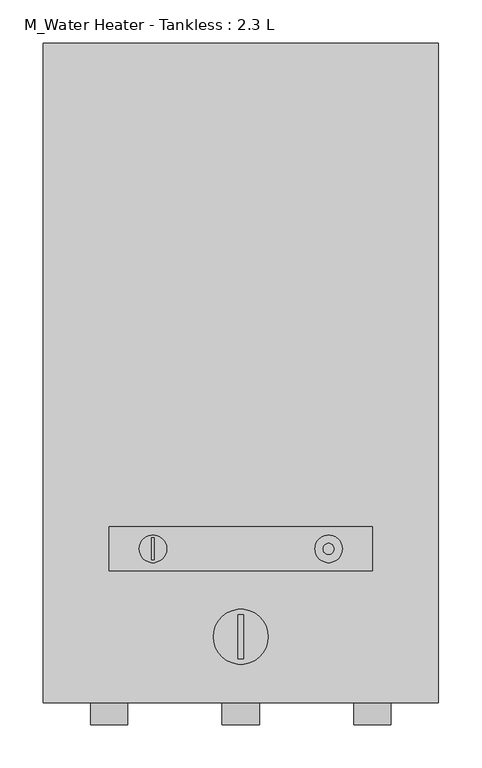
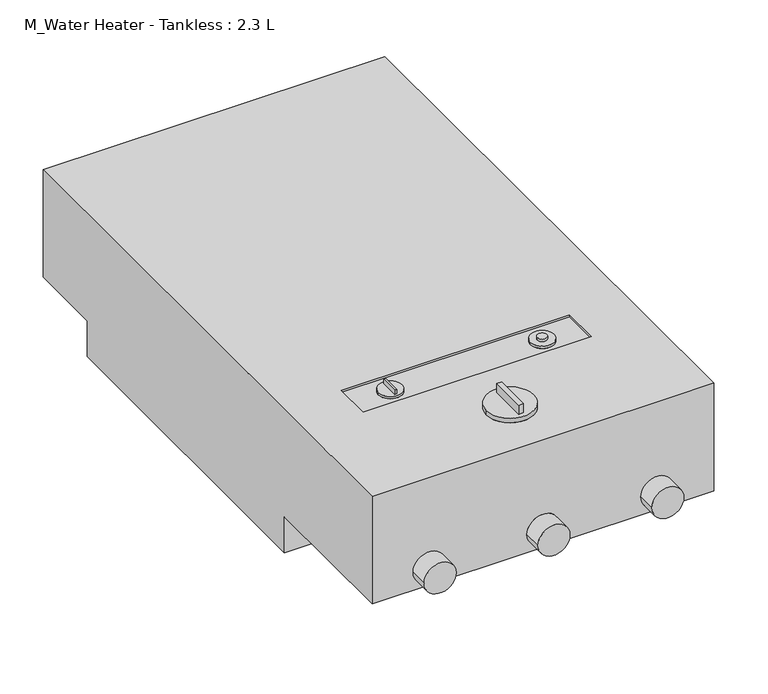
"""IFC4 building model written with IfcOpenShell, lengths in millimetres: proxy geometry, M_Water Heater - Tankless : 2.3 L."""

from ifc_helpers import new_model, si_unit, point, frame, frame_2d, origin, place, context, project, spatial, circle_curve, trimmed, segment, composite_curve, outline, extrude, source, transform, mapped, element, save
from ifc_brep_helpers import plane_surface, cylinder_surface, advanced_brep


def m_water_heater_tankless_2_3_l_a5d88984(model_context):
    return source(origin(), model_context, "Body", "SolidModel", [
        advanced_brep(
        [(228.5, 762.0, 50.8), (228.5, 762.0, 203.0), (228.5, 0.0, 203.0), (228.5, 0.0, 50.8), (228.5, 203.2, 50.8), (228.5, 203.2, 0.0), (228.5, 660.4, 0.0), (228.5, 660.4, 50.8), (-228.5, 762.0, 50.8), (-228.5, 660.4, 50.8), (-228.5, 660.4, 0.0), (-228.5, 203.2, 0.0), (-228.5, 203.2, 50.8), (-228.5, 0.0, 50.8), (-228.5, 0.0, 203.0), (-228.5, 762.0, 203.0), (-152.4, 203.2, 203.0), (152.4, 203.2, 203.0), (152.4, 152.4, 203.0), (-152.4, 152.4, 203.0), (31.75, 76.2, 203.0), (-31.75, 76.2, 203.0), (-130.86875, 0.0, 76.2), (-173.73125, 0.0, 76.2), (21.43125, 0.0, 76.2), (-21.43125, 0.0, 76.2), (173.73125, 0.0, 76.2), (130.86875, 0.0, 76.2), (152.4, 203.2, 199.825), (-152.4, 203.2, 199.825), (-152.4, 152.4, 199.825), (152.4, 152.4, 199.825), (-85.725, 177.8, 199.825), (-117.475, 177.8, 199.825), (117.475, 177.8, 199.825), (85.725, 177.8, 199.825), (-173.73125, -25.4, 76.2), (-130.86875, -25.4, 76.2), (-21.43125, -25.4, 76.2), (21.43125, -25.4, 76.2), (130.86875, -25.4, 76.2), (173.73125, -25.4, 76.2), (-117.475, 177.8, 203.0), (-85.725, 177.8, 203.0), (-103.1875, 190.5, 203.0), (-100.0125, 190.5, 203.0), (-100.0125, 165.1, 203.0), (-103.1875, 165.1, 203.0), (85.725, 177.8, 203.0), (117.475, 177.8, 203.0), (107.95, 177.8, 203.0), (95.25, 177.8, 203.0), (95.25, 177.8, 206.175), (107.95, 177.8, 206.175), (-100.0125, 190.5, 209.35), (-103.1875, 190.5, 209.35), (-103.1875, 165.1, 209.35), (-100.0125, 165.1, 209.35), (-31.75, 76.2, 209.35), (31.75, 76.2, 209.35), (-3.175, 101.6, 209.35), (3.175, 101.6, 209.35), (3.175, 50.8, 209.35), (-3.175, 50.8, 209.35), (3.175, 101.6, 222.05), (-3.175, 101.6, 222.05), (-3.175, 50.8, 222.05), (3.175, 50.8, 222.05)],
        [
            (0, 1),
            (1, 2),
            (2, 3),
            (3, 4),
            (4, 5),
            (5, 6),
            (6, 7),
            (7, 0),
            (8, 9),
            (9, 10),
            (10, 11),
            (11, 12),
            (12, 13),
            (13, 14),
            (14, 15),
            (15, 8),
            (0, 8),
            (15, 1),
            (14, 2),
            (16, 17),
            (17, 18),
            (18, 19),
            (19, 16),
            (20, 21, circle_curve(frame((0.0, 76.2, 203.0), z_axis=(0.0, 0.0, -1.0), x_axis=(1.0, 0.0, 0.0)), 31.75)),
            (21, 20, circle_curve(frame((0.0, 76.2, 203.0), z_axis=(0.0, 0.0, -1.0), x_axis=(1.0, 0.0, 0.0)), 31.75)),
            (13, 3),
            (22, 23, circle_curve(frame((-152.3, 0.0, 76.2), z_axis=(0.0, 1.0, 0.0), x_axis=(1.0, 0.0, 0.0)), 21.43125)),
            (23, 22, circle_curve(frame((-152.3, 0.0, 76.2), z_axis=(0.0, 1.0, 0.0), x_axis=(1.0, 0.0, 0.0)), 21.43125)),
            (24, 25, circle_curve(frame((0.0, 0.0, 76.2), z_axis=(0.0, 1.0, 0.0), x_axis=(1.0, 0.0, 0.0)), 21.43125)),
            (25, 24, circle_curve(frame((0.0, 0.0, 76.2), z_axis=(0.0, 1.0, 0.0), x_axis=(1.0, 0.0, 0.0)), 21.43125)),
            (26, 27, circle_curve(frame((152.3, 0.0, 76.2), z_axis=(0.0, 1.0, 0.0), x_axis=(1.0, 0.0, 0.0)), 21.43125)),
            (27, 26, circle_curve(frame((152.3, 0.0, 76.2), z_axis=(0.0, 1.0, 0.0), x_axis=(1.0, 0.0, 0.0)), 21.43125)),
            (12, 4),
            (11, 5),
            (10, 6),
            (9, 7),
            (28, 29),
            (29, 30),
            (30, 31),
            (31, 28),
            (32, 33, circle_curve(frame((-101.6, 177.8, 199.825), z_axis=(0.0, 0.0, -1.0), x_axis=(1.0, 0.0, 0.0)), 15.875)),
            (33, 32, circle_curve(frame((-101.6, 177.8, 199.825), z_axis=(0.0, 0.0, -1.0), x_axis=(1.0, 0.0, 0.0)), 15.875)),
            (34, 35, circle_curve(frame((101.6, 177.8, 199.825), z_axis=(0.0, 0.0, -1.0), x_axis=(1.0, 0.0, 0.0)), 15.875)),
            (35, 34, circle_curve(frame((101.6, 177.8, 199.825), z_axis=(0.0, 0.0, -1.0), x_axis=(1.0, 0.0, 0.0)), 15.875)),
            (28, 17),
            (16, 29),
            (19, 30),
            (18, 31),
            (36, 37, circle_curve(frame((-152.3, -25.4, 76.2), z_axis=(0.0, -1.0, 0.0), x_axis=(1.0, 0.0, 0.0)), 21.43125)),
            (37, 36, circle_curve(frame((-152.3, -25.4, 76.2), z_axis=(0.0, -1.0, 0.0), x_axis=(1.0, 0.0, 0.0)), 21.43125)),
            (38, 39, circle_curve(frame((0.0, -25.4, 76.2), z_axis=(0.0, -1.0, 0.0), x_axis=(1.0, 0.0, 0.0)), 21.43125)),
            (39, 38, circle_curve(frame((0.0, -25.4, 76.2), z_axis=(0.0, -1.0, 0.0), x_axis=(1.0, 0.0, 0.0)), 21.43125)),
            (40, 41, circle_curve(frame((152.3, -25.4, 76.2), z_axis=(0.0, -1.0, 0.0), x_axis=(1.0, 0.0, 0.0)), 21.43125)),
            (41, 40, circle_curve(frame((152.3, -25.4, 76.2), z_axis=(0.0, -1.0, 0.0), x_axis=(1.0, 0.0, 0.0)), 21.43125)),
            (36, 23),
            (22, 37),
            (38, 25),
            (24, 39),
            (40, 27),
            (26, 41),
            (42, 43, circle_curve(frame((-101.6, 177.8, 203.0), z_axis=(0.0, 0.0, 1.0), x_axis=(1.0, 0.0, 0.0)), 15.875)),
            (43, 42, circle_curve(frame((-101.6, 177.8, 203.0), z_axis=(0.0, 0.0, 1.0), x_axis=(1.0, 0.0, 0.0)), 15.875)),
            (44, 45),
            (45, 46),
            (46, 47),
            (47, 44),
            (48, 49, circle_curve(frame((101.6, 177.8, 203.0), z_axis=(0.0, 0.0, 1.0), x_axis=(1.0, 0.0, 0.0)), 15.875)),
            (49, 48, circle_curve(frame((101.6, 177.8, 203.0), z_axis=(0.0, 0.0, 1.0), x_axis=(1.0, 0.0, 0.0)), 15.875)),
            (50, 51, circle_curve(frame((101.6, 177.8, 203.0), z_axis=(0.0, 0.0, -1.0), x_axis=(1.0, 0.0, 0.0)), 6.35)),
            (51, 50, circle_curve(frame((101.6, 177.8, 203.0), z_axis=(0.0, 0.0, -1.0), x_axis=(1.0, 0.0, 0.0)), 6.35)),
            (42, 33),
            (32, 43),
            (48, 35),
            (34, 49),
            (52, 53, circle_curve(frame((101.6, 177.8, 206.175), z_axis=(0.0, 0.0, 1.0), x_axis=(1.0, 0.0, 0.0)), 6.35)),
            (53, 52, circle_curve(frame((101.6, 177.8, 206.175), z_axis=(0.0, 0.0, 1.0), x_axis=(1.0, 0.0, 0.0)), 6.35)),
            (52, 51),
            (50, 53),
            (54, 55),
            (55, 56),
            (56, 57),
            (57, 54),
            (54, 45),
            (44, 55),
            (47, 56),
            (46, 57),
            (58, 59, circle_curve(frame((0.0, 76.2, 209.35), z_axis=(0.0, 0.0, 1.0), x_axis=(1.0, 0.0, 0.0)), 31.75)),
            (59, 58, circle_curve(frame((0.0, 76.2, 209.35), z_axis=(0.0, 0.0, 1.0), x_axis=(1.0, 0.0, 0.0)), 31.75)),
            (60, 61),
            (61, 62),
            (62, 63),
            (63, 60),
            (58, 21),
            (20, 59),
            (64, 65),
            (65, 66),
            (66, 67),
            (67, 64),
            (64, 61),
            (60, 65),
            (63, 66),
            (62, 67),
        ],
        [
            plane_surface(frame((228.5, 762.0, 203.0), z_axis=(1.0, 0.0, 0.0), x_axis=(0.0, 0.0, 1.0))),
            plane_surface(frame((-228.5, 762.0, 203.0), z_axis=(-1.0, 0.0, 0.0), x_axis=(0.0, 0.0, -1.0))),
            plane_surface(frame((228.5, 762.0, 50.8), z_axis=(0.0, 1.0, 0.0), x_axis=(-1.0, 0.0, 0.0))),
            plane_surface(frame((228.5, 762.0, 203.0), z_axis=(0.0, 0.0, 1.0), x_axis=(-1.0, 0.0, 0.0))),
            plane_surface(frame((228.5, 0.0, 203.0), z_axis=(0.0, -1.0, 0.0), x_axis=(-1.0, 0.0, 0.0))),
            plane_surface(frame((228.5, 0.0, 50.8), z_axis=(0.0, 0.0, -1.0), x_axis=(-1.0, 0.0, 0.0))),
            plane_surface(frame((228.5, 203.2, 50.8), z_axis=(0.0, -1.0, 0.0), x_axis=(-1.0, 0.0, 0.0))),
            plane_surface(frame((228.5, 203.2, 0.0), z_axis=(0.0, 0.0, -1.0), x_axis=(-1.0, 0.0, 0.0))),
            plane_surface(frame((228.5, 660.4, 0.0), z_axis=(0.0, 1.0, 0.0), x_axis=(-1.0, 0.0, 0.0))),
            plane_surface(frame((228.5, 660.4, 50.8), z_axis=(0.0, 0.0, -1.0), x_axis=(-1.0, 0.0, 0.0))),
            plane_surface(frame((-152.4, 203.2, 199.825), z_axis=(0.0, 0.0, 1.0), x_axis=(1.0, 0.0, 0.0))),
            plane_surface(frame((152.4, 203.2, 203.0), z_axis=(0.0, -1.0, 0.0), x_axis=(0.0, 0.0, -1.0))),
            plane_surface(frame((-152.4, 203.2, 203.0), z_axis=(1.0, 0.0, 0.0), x_axis=(0.0, 0.0, -1.0))),
            plane_surface(frame((-152.4, 152.4, 203.0), z_axis=(0.0, 1.0, 0.0), x_axis=(0.0, 0.0, -1.0))),
            plane_surface(frame((152.4, 152.4, 203.0), z_axis=(-1.0, 0.0, 0.0), x_axis=(0.0, 0.0, -1.0))),
            plane_surface(frame((-130.86875, -25.4, 76.2), z_axis=(0.0, -1.0, 0.0), x_axis=(0.0, 0.0, 1.0))),
            cylinder_surface(frame((-152.3, 0.0, 76.2), z_axis=(0.0, -1.0, 0.0), x_axis=(1.0, 0.0, 0.0)), 21.43125),
            cylinder_surface(frame((0.0, 0.0, 76.2), z_axis=(0.0, -1.0, 0.0), x_axis=(1.0, 0.0, 0.0)), 21.43125),
            cylinder_surface(frame((152.3, 0.0, 76.2), z_axis=(0.0, -1.0, 0.0), x_axis=(1.0, 0.0, 0.0)), 21.43125),
            plane_surface(frame((-85.725, 177.8, 203.0), z_axis=(0.0, 0.0, 1.0), x_axis=(0.0, 1.0, 0.0))),
            cylinder_surface(frame((-101.6, 177.8, 199.825), z_axis=(0.0, 0.0, 1.0), x_axis=(1.0, 0.0, 0.0)), 15.875),
            cylinder_surface(frame((101.6, 177.8, 0.0), z_axis=(0.0, 0.0, 1.0), x_axis=(1.0, 0.0, 0.0)), 15.875),
            plane_surface(frame((107.95, 177.8, 206.175), z_axis=(0.0, 0.0, 1.0), x_axis=(0.0, 1.0, 0.0))),
            cylinder_surface(frame((101.6, 177.8, 203.0), z_axis=(0.0, 0.0, 1.0), x_axis=(1.0, 0.0, 0.0)), 6.35),
            plane_surface(frame((-103.1875, 190.5, 209.35), z_axis=(0.0, 0.0, 1.0), x_axis=(-1.0, 0.0, 0.0))),
            plane_surface(frame((-100.0125, 190.5, 209.35), z_axis=(0.0, 1.0, 0.0), x_axis=(0.0, 0.0, -1.0))),
            plane_surface(frame((-103.1875, 190.5, 209.35), z_axis=(-1.0, 0.0, 0.0), x_axis=(0.0, 0.0, -1.0))),
            plane_surface(frame((-103.1875, 165.1, 209.35), z_axis=(0.0, -1.0, 0.0), x_axis=(0.0, 0.0, -1.0))),
            plane_surface(frame((-100.0125, 165.1, 209.35), z_axis=(1.0, 0.0, 0.0), x_axis=(0.0, 0.0, -1.0))),
            plane_surface(frame((31.75, 76.2, 209.35), z_axis=(0.0, 0.0, 1.0), x_axis=(0.0, 1.0, 0.0))),
            cylinder_surface(frame((0.0, 76.2, 203.0), z_axis=(0.0, 0.0, 1.0), x_axis=(1.0, 0.0, 0.0)), 31.75),
            plane_surface(frame((-3.175, 101.6, 222.05), z_axis=(0.0, 0.0, 1.0), x_axis=(-1.0, 0.0, 0.0))),
            plane_surface(frame((3.175, 101.6, 222.05), z_axis=(0.0, 1.0, 0.0), x_axis=(0.0, 0.0, -1.0))),
            plane_surface(frame((-3.175, 101.6, 222.05), z_axis=(-1.0, 0.0, 0.0), x_axis=(0.0, 0.0, -1.0))),
            plane_surface(frame((-3.175, 50.8, 222.05), z_axis=(0.0, -1.0, 0.0), x_axis=(0.0, 0.0, -1.0))),
            plane_surface(frame((3.175, 50.8, 222.05), z_axis=(1.0, 0.0, 0.0), x_axis=(0.0, 0.0, -1.0))),
        ],
        [
            (0, [[1, 2, 3, 4, 5, 6, 7, 8]]),
            (1, [[9, 10, 11, 12, 13, 14, 15, 16]]),
            (2, [[-1, 17, -16, 18]]),
            (3, [[-2, -18, -15, 19], [20, 21, 22, 23], [24, 25]]),
            (4, [[-3, -19, -14, 26], [27, 28], [29, 30], [31, 32]]),
            (5, [[-4, -26, -13, 33]]),
            (6, [[-5, -33, -12, 34]]),
            (7, [[-6, -34, -11, 35]]),
            (8, [[-7, -35, -10, 36]]),
            (9, [[-8, -36, -9, -17]]),
            (10, [[37, 38, 39, 40], [41, 42], [43, 44]]),
            (11, [[-37, 45, -20, 46]]),
            (12, [[-38, -46, -23, 47]]),
            (13, [[-39, -47, -22, 48]]),
            (14, [[-40, -48, -21, -45]]),
            (15, [[49, 50]]),
            (15, [[51, 52]]),
            (15, [[53, 54]]),
            (16, [[-49, 55, -27, 56]]),
            (16, [[-50, -56, -28, -55]]),
            (17, [[-51, 57, -29, 58]]),
            (17, [[-52, -58, -30, -57]]),
            (18, [[-53, 59, -31, 60]]),
            (18, [[-54, -60, -32, -59]]),
            (19, [[61, 62], [63, 64, 65, 66]]),
            (19, [[67, 68], [69, 70]]),
            (20, [[-61, 71, -41, 72]]),
            (20, [[-62, -72, -42, -71]]),
            (21, [[-67, 73, -43, 74]]),
            (21, [[-68, -74, -44, -73]]),
            (22, [[75, 76]]),
            (23, [[-75, 77, -69, 78]]),
            (23, [[-76, -78, -70, -77]]),
            (24, [[79, 80, 81, 82]]),
            (25, [[-79, 83, -63, 84]]),
            (26, [[-80, -84, -66, 85]]),
            (27, [[-81, -85, -65, 86]]),
            (28, [[-82, -86, -64, -83]]),
            (29, [[87, 88], [89, 90, 91, 92]]),
            (30, [[-87, 93, -24, 94]]),
            (30, [[-88, -94, -25, -93]]),
            (31, [[95, 96, 97, 98]]),
            (32, [[-95, 99, -89, 100]]),
            (33, [[-96, -100, -92, 101]]),
            (34, [[-97, -101, -91, 102]]),
            (35, [[-98, -102, -90, -99]]),
        ],
    ),
        extrude(outline(composite_curve([segment(trimmed(circle_curve(frame_2d((0.0, 152.4)), 3.175), [point((-3.175, 152.4))], [point((3.175, 152.4))], False, "CARTESIAN"), True, "CONTINUOUS"), segment(trimmed(circle_curve(frame_2d((0.0, 152.4)), 3.175), [point((3.175, 152.4))], [point((-3.175, 152.4))], False, "CARTESIAN"), True, "CONTINUOUS")], self_intersect=False)), frame((0.0, 0.0, 50.8), z_axis=(0.0, 0.0, 1.0), x_axis=(1.0, 0.0, 0.0)), (0.0, 0.0, 1.0), 25.4),
    ])


if __name__ == "__main__":
    model = new_model("IFC4")
    model_context = context("Model", 3, world=origin())
    ifc_project = project(units=[si_unit("LENGTHUNIT", "METRE", prefix="MILLI")], contexts=[model_context])
    site = spatial("IfcSite", under=ifc_project)
    building = spatial("IfcBuilding", under=site)
    placement = place(None, origin())
    m_water_heater_tankless_2_3_l_shape = m_water_heater_tankless_2_3_l_a5d88984(model_context)
    element("IfcBuildingElementProxy", 1, Name="M_Water Heater - Tankless : 2.3 L", ObjectType="M_Water Heater - Tankless : 2.3 L", at=placement, inside=building, context=model_context, shape_type="MappedRepresentation", body=[
        mapped(m_water_heater_tankless_2_3_l_shape, transform((0.0, 0.0, 0.0), x_axis=(1.0, 0.0, 0.0), y_axis=(0.0, 1.0, 0.0), z_axis=(0.0, 0.0, 1.0))),
    ])
    save(model, "model.ifc")
